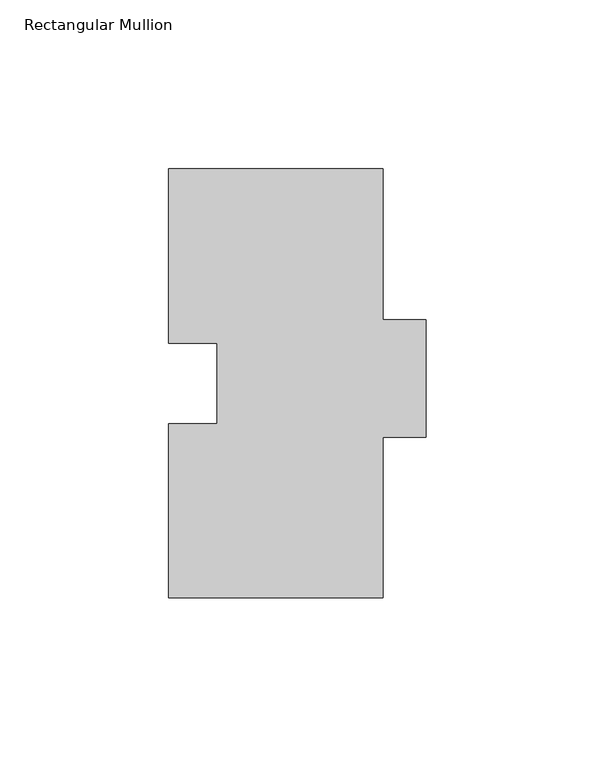
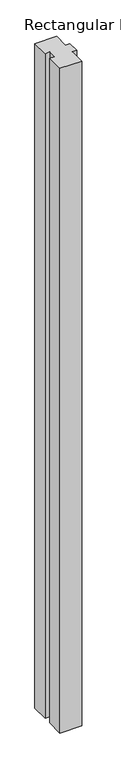
"""IFC4 building model written with IfcOpenShell, lengths in millimetres: member geometry, Rectangular Mullion."""

from ifc_helpers import new_model, si_unit, frame, origin, place, context, project, spatial, polyline, outline, extrude, source, transform, mapped, element, save


def rectangular_mullion_25e15e27(model_context):
    return source(origin(), model_context, "Body", "SweptSolid", [
        extrude(outline(polyline([(-31.75, 126.9563438), (31.75, 126.9563438), (31.75, 82.2523437), (44.45, 82.2523437), (44.45, 47.5813437), (31.75, 47.5813437), (31.75, -0.0436562), (-31.75, -0.0436562), (-31.75, 51.5564438), (-17.4498, 51.5564438), (-17.4498, 75.3562438), (-31.75, 75.3562438), (-31.75, 126.9563438)])), frame((0.0, 0.0, -2060.575), z_axis=(0.0, 0.0, 1.0), x_axis=(1.0, 0.0, 0.0)), (0.0, 0.0, 1.0), 2060.575),
    ])


if __name__ == "__main__":
    model = new_model("IFC4")
    model_context = context("Model", 3, world=origin())
    ifc_project = project(units=[si_unit("LENGTHUNIT", "METRE", prefix="MILLI")], contexts=[model_context])
    site = spatial("IfcSite", under=ifc_project)
    building = spatial("IfcBuilding", under=site)
    placement = place(None, origin())
    rectangular_mullion_shape = rectangular_mullion_25e15e27(model_context)
    element("IfcMember", 1, ObjectType="Rectangular Mullion", at=placement, inside=building, context=model_context, shape_type="MappedRepresentation", body=[
        mapped(rectangular_mullion_shape, transform((0.0, 0.0, 0.0), x_axis=(1.0, 0.0, 0.0), y_axis=(0.0, 1.0, 0.0), z_axis=(0.0, 0.0, 1.0))),
    ])
    save(model, "model.ifc")
